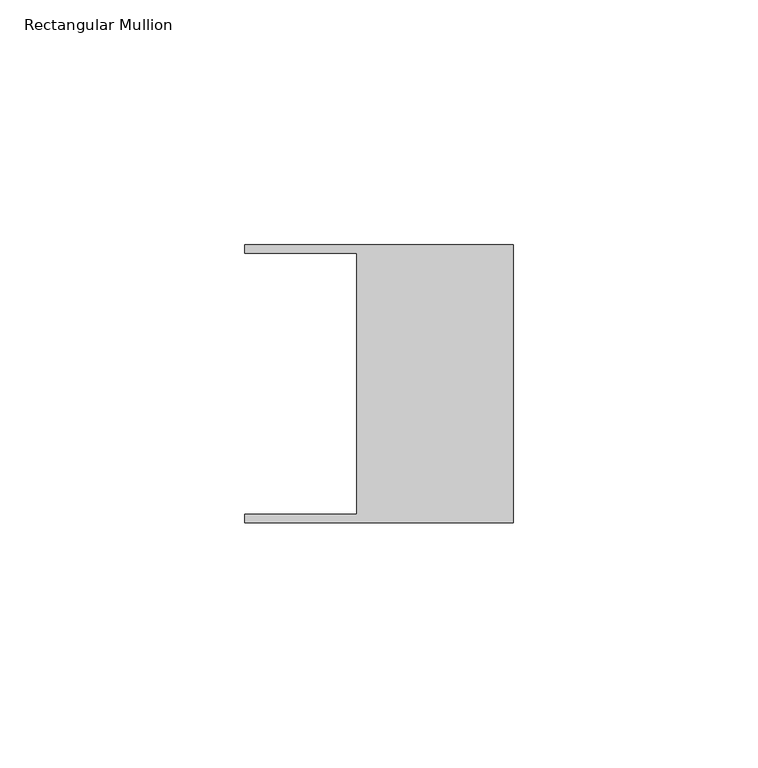
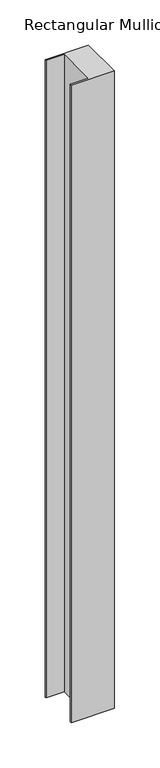
"""IFC4 building model written with IfcOpenShell, lengths in millimetres: member geometry, Rectangular Mullion."""

from ifc_helpers import new_model, si_unit, frame, origin, place, context, project, spatial, polyline, outline, extrude, source, transform, mapped, element, save


def rectangular_mullion_f7741b28(model_context):
    return source(origin(), model_context, "Body", "SweptSolid", [
        extrude(outline(polyline([(-32.004, -26.67), (-32.004, 26.67), (-54.991, 26.67), (-54.991, 28.448), (0.0, 28.448), (0.0, -28.448), (-54.991, -28.448), (-54.991, -26.67), (-32.004, -26.67)])), frame((0.0, 0.0, -859.1042), z_axis=(0.0, 0.0, 1.0), x_axis=(1.0, 0.0, 0.0)), (0.0, 0.0, 1.0), 859.1042),
    ])


if __name__ == "__main__":
    model = new_model("IFC4")
    model_context = context("Model", 3, world=origin())
    ifc_project = project(units=[si_unit("LENGTHUNIT", "METRE", prefix="MILLI")], contexts=[model_context])
    site = spatial("IfcSite", under=ifc_project)
    building = spatial("IfcBuilding", under=site)
    placement = place(None, origin())
    rectangular_mullion_shape = rectangular_mullion_f7741b28(model_context)
    element("IfcMember", 1, ObjectType="Rectangular Mullion", at=placement, inside=building, context=model_context, shape_type="MappedRepresentation", body=[
        mapped(rectangular_mullion_shape, transform((0.0, 0.0, 0.0), x_axis=(1.0, 0.0, 0.0), y_axis=(0.0, 1.0, 0.0), z_axis=(0.0, 0.0, 1.0))),
    ])
    save(model, "model.ifc")
